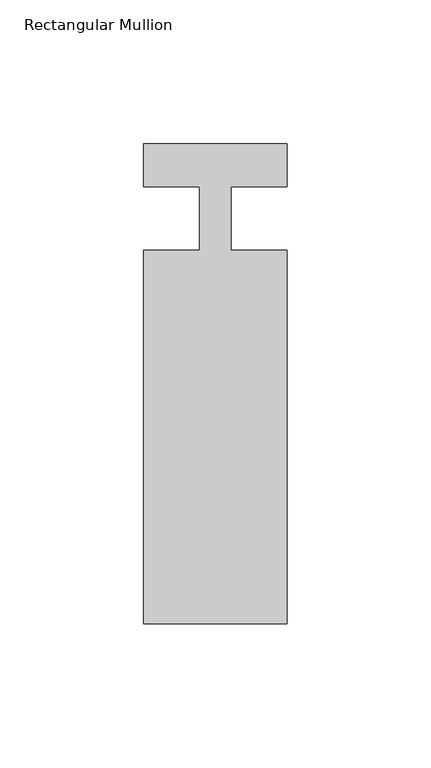
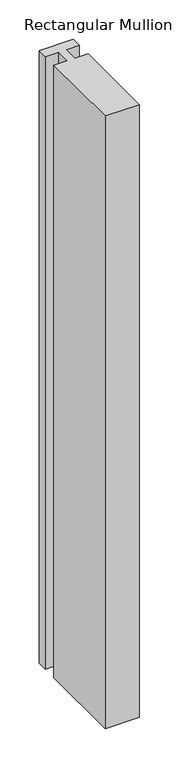
"""IFC4 building model written with IfcOpenShell, lengths in millimetres: member geometry, Rectangular Mullion."""

from ifc_helpers import new_model, si_unit, frame, origin, place, context, project, spatial, polyline, outline, extrude, source, transform, mapped, element, save


def rectangular_mullion_c341f13d(model_context):
    return source(origin(), model_context, "Body", "SweptSolid", [
        extrude(outline(polyline([(0.0, -141.0), (-50.0, -141.0), (-50.0, -11.0), (-30.4999998, -11.0), (-30.4999998, 11.0), (-50.0, 11.0), (-50.0, 26.0), (0.0, 26.0), (0.0, 11.0), (-19.5, 11.0), (-19.5, -11.0), (0.0, -11.0), (0.0, -141.0)])), frame((0.0, 0.0, -950.0), z_axis=(0.0, 0.0, 1.0), x_axis=(1.0, 0.0, 0.0)), (0.0, 0.0, 1.0), 950.0),
    ])


if __name__ == "__main__":
    model = new_model("IFC4")
    model_context = context("Model", 3, world=origin())
    ifc_project = project(units=[si_unit("LENGTHUNIT", "METRE", prefix="MILLI")], contexts=[model_context])
    site = spatial("IfcSite", under=ifc_project)
    building = spatial("IfcBuilding", under=site)
    placement = place(None, origin())
    rectangular_mullion_shape = rectangular_mullion_c341f13d(model_context)
    element("IfcMember", 1, ObjectType="Rectangular Mullion", at=placement, inside=building, context=model_context, shape_type="MappedRepresentation", body=[
        mapped(rectangular_mullion_shape, transform((0.0, 0.0, 0.0), x_axis=(1.0, 0.0, 0.0), y_axis=(0.0, 1.0, 0.0), z_axis=(0.0, 0.0, 1.0))),
    ])
    save(model, "model.ifc")
